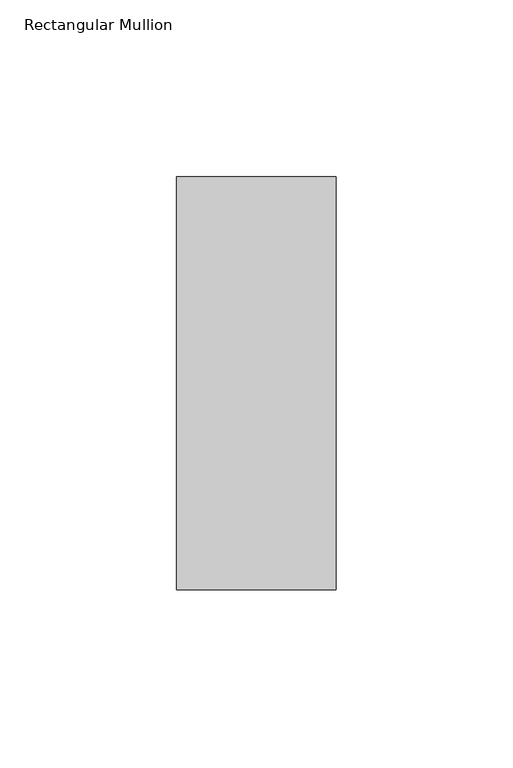
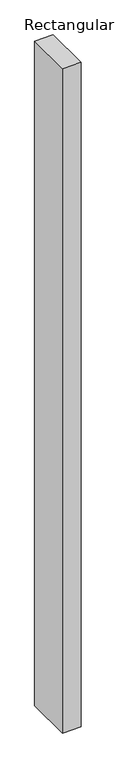
"""IFC4 building model written with IfcOpenShell, lengths in millimetres: member geometry, Rectangular Mullion."""

from ifc_helpers import new_model, si_unit, frame, origin, place, context, project, spatial, polyline, outline, extrude, source, transform, mapped, element, save


def rectangular_mullion_1ba1b169(model_context):
    return source(origin(), model_context, "Body", "SweptSolid", [
        extrude(outline(polyline([(22.5226562, 73.875), (22.5226562, -42.8257813), (-22.5226562, -42.8257813), (-22.5226562, 73.875), (22.5226562, 73.875)])), frame((0.0, 0.0, -1708.8912252), z_axis=(0.0, 0.0, 1.0), x_axis=(1.0, 0.0, 0.0)), (0.0, 0.0, 1.0), 1708.8912252),
    ])


if __name__ == "__main__":
    model = new_model("IFC4")
    model_context = context("Model", 3, world=origin())
    ifc_project = project(units=[si_unit("LENGTHUNIT", "METRE", prefix="MILLI")], contexts=[model_context])
    site = spatial("IfcSite", under=ifc_project)
    building = spatial("IfcBuilding", under=site)
    placement = place(None, origin())
    rectangular_mullion_shape = rectangular_mullion_1ba1b169(model_context)
    element("IfcMember", 1, ObjectType="Rectangular Mullion", at=placement, inside=building, context=model_context, shape_type="MappedRepresentation", body=[
        mapped(rectangular_mullion_shape, transform((0.0, 0.0, 0.0), x_axis=(1.0, 0.0, 0.0), y_axis=(0.0, 1.0, 0.0), z_axis=(0.0, 0.0, 1.0))),
    ])
    save(model, "model.ifc")
